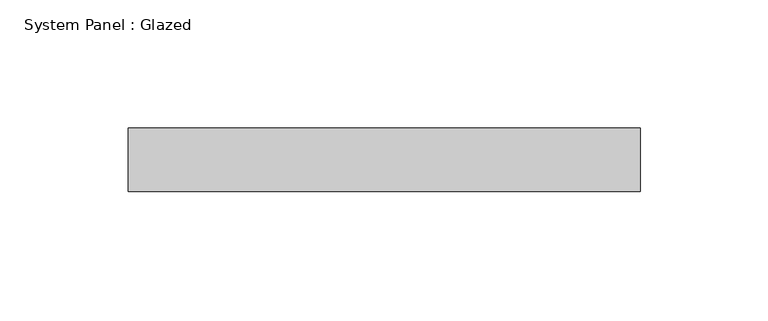
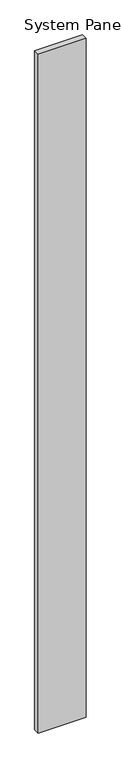
"""IFC4 building model written with IfcOpenShell, lengths in millimetres: plate geometry, System Panel : Glazed."""

from ifc_helpers import new_model, si_unit, origin, origin_with_axes, place, context, project, spatial, polyline, outline, extrude, source, transform, mapped, element, save


def system_panel_glazed_4bac649f(model_context):
    return source(origin(), model_context, "Body", "SweptSolid", [
        extrude(outline(polyline([(100.0, 24.5), (-100.0, 24.5), (-100.0, 49.5), (100.0, 49.5), (100.0, 24.5)])), origin_with_axes(), (0.0, 0.0, 1.0), 3000.0),
    ])


if __name__ == "__main__":
    model = new_model("IFC4")
    model_context = context("Model", 3, world=origin())
    ifc_project = project(units=[si_unit("LENGTHUNIT", "METRE", prefix="MILLI")], contexts=[model_context])
    site = spatial("IfcSite", under=ifc_project)
    building = spatial("IfcBuilding", under=site)
    placement = place(None, origin())
    system_panel_glazed_shape = system_panel_glazed_4bac649f(model_context)
    element("IfcPlate", 1, ObjectType="System Panel : Glazed", at=placement, inside=building, context=model_context, shape_type="MappedRepresentation", body=[
        mapped(system_panel_glazed_shape, transform((0.0, 0.0, 0.0), x_axis=(1.0, 0.0, 0.0), y_axis=(0.0, 1.0, 0.0), z_axis=(0.0, 0.0, 1.0))),
    ])
    save(model, "model.ifc")
